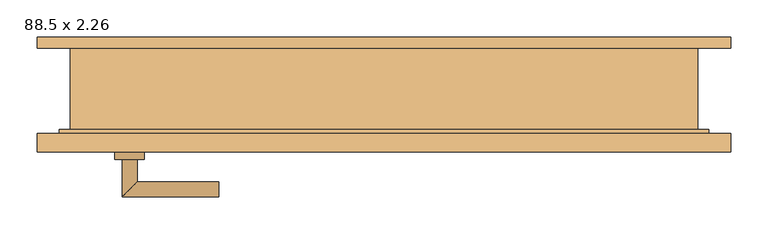
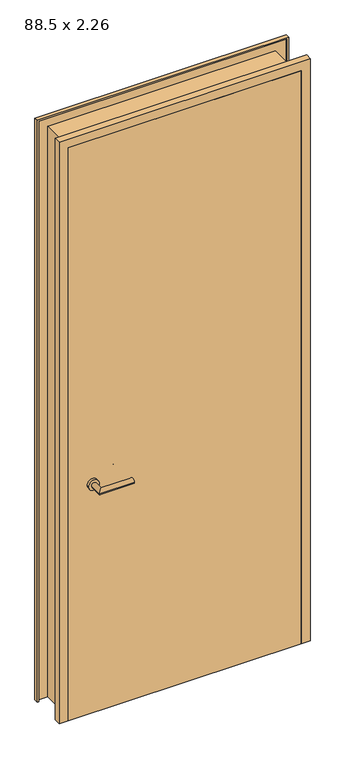
"""IFC4 building model written with IfcOpenShell, lengths in millimetres: door geometry, 88.5 x 2.26."""

from ifc_helpers import new_model, si_unit, point, frame, frame_2d, origin, origin_with_axes, place, context, project, spatial, polyline, circle_curve, ellipse_curve, trimmed, segment, composite_curve, outline, extrude, faceted_brep, source, transform, mapped, element, save
from ifc_brep_helpers import plane_surface, cylinder_surface, advanced_brep


def door_88_5_x_2_26_69bba586(model_context):
    return source(origin(), model_context, "Body", "SolidModel", [
        advanced_brep(
        [(-332.5, -61.9346141, 900.0), (-352.5, -61.9346141, 900.0), (-352.5, -11.9346141, 900.0), (-332.5, -31.9346141, 900.0), (-222.5, -31.9346141, 900.0), (-222.5, -11.9346141, 900.0)],
        [
            (0, 1, circle_curve(frame((-342.5, -61.9346141, 900.0), z_axis=(0.0, -1.0, 0.0), x_axis=(-1.0, 0.0, 0.0)), 10.0)),
            (1, 0, circle_curve(frame((-342.5, -61.9346141, 900.0), z_axis=(0.0, -1.0, 0.0), x_axis=(-1.0, 0.0, 0.0)), 10.0)),
            (1, 2),
            (2, 3, ellipse_curve(frame((-342.5, -21.9346141, 900.0), z_axis=(-0.7071067811865686, -0.7071067811865265, 0.0), x_axis=(0.7071067811865264, -0.7071067811865687, 0.0)), 14.1421356, 10.0)),
            (3, 0),
            (3, 2, ellipse_curve(frame((-342.5, -21.9346141, 900.0), z_axis=(-0.7071067811865686, -0.7071067811865265, 0.0), x_axis=(0.7071067811865264, -0.7071067811865687, 0.0)), 14.1421356, 10.0)),
            (4, 5, circle_curve(frame((-222.5, -21.9346141, 900.0), z_axis=(1.0, 0.0, 0.0), x_axis=(0.0, 1.0, 0.0)), 10.0)),
            (5, 4, circle_curve(frame((-222.5, -21.9346141, 900.0), z_axis=(1.0, 0.0, 0.0), x_axis=(0.0, 1.0, 0.0)), 10.0)),
            (2, 5),
            (4, 3),
        ],
        [
            plane_surface(frame((-342.5, -61.9346141, -387.7526403), z_axis=(0.0, -1.0, 0.0), x_axis=(0.0, 0.0, 1.0))),
            cylinder_surface(frame((-342.5, -61.9346141, 900.0), z_axis=(0.0, -1.0, 0.0), x_axis=(-1.0, 0.0, 0.0)), 10.0),
            plane_surface(frame((-222.5, -21.9346141, -387.7526403), z_axis=(1.0, 0.0, 0.0), x_axis=(0.0, 0.0, 1.0))),
            cylinder_surface(frame((-342.5, -21.9346141, 900.0), z_axis=(-1.0, 0.0, 0.0), x_axis=(0.0, 1.0, 0.0)), 10.0),
        ],
        [
            (0, [[1, 2]]),
            (1, [[3, 4, 5, -2]]),
            (1, [[-5, 6, -3, -1]]),
            (2, [[7, 8]]),
            (3, [[9, -7, 10, -4]]),
            (3, [[-10, -8, -9, -6]]),
        ],
    ),
        advanced_brep(
        [(-332.5, -106.9346141, 900.0), (-352.5, -106.9346141, 900.0), (-352.5, -156.9346141, 900.0), (-332.5, -136.9346141, 900.0), (-222.5, -136.9346141, 900.0), (-222.5, -156.9346141, 900.0)],
        [
            (0, 1, circle_curve(frame((-342.5, -106.9346141, 900.0), z_axis=(0.0, 1.0, 0.0), x_axis=(-1.0, 0.0, 0.0)), 10.0)),
            (1, 0, circle_curve(frame((-342.5, -106.9346141, 900.0), z_axis=(0.0, 1.0, 0.0), x_axis=(-1.0, 0.0, 0.0)), 10.0)),
            (1, 2),
            (2, 3, ellipse_curve(frame((-342.5, -146.9346141, 900.0), z_axis=(-0.7071067811865486, 0.7071067811865464, 0.0), x_axis=(0.7071067811865464, 0.7071067811865488, 0.0)), 14.1421356, 10.0)),
            (3, 0),
            (3, 2, ellipse_curve(frame((-342.5, -146.9346141, 900.0), z_axis=(-0.7071067811865486, 0.7071067811865464, 0.0), x_axis=(0.7071067811865464, 0.7071067811865488, 0.0)), 14.1421356, 10.0)),
            (4, 5, circle_curve(frame((-222.5, -146.9346141, 900.0), z_axis=(1.0, 0.0, 0.0), x_axis=(0.0, -1.0, 0.0)), 10.0)),
            (5, 4, circle_curve(frame((-222.5, -146.9346141, 900.0), z_axis=(1.0, 0.0, 0.0), x_axis=(0.0, -1.0, 0.0)), 10.0)),
            (2, 5),
            (4, 3),
        ],
        [
            plane_surface(frame((-342.5, -106.9346141, -387.7526403), z_axis=(0.0, 1.0, 0.0), x_axis=(0.0, 0.0, 1.0))),
            cylinder_surface(frame((-342.5, -106.9346141, 900.0), z_axis=(0.0, 1.0, 0.0), x_axis=(-1.0, 0.0, 0.0)), 10.0),
            plane_surface(frame((-222.5, -146.9346141, -387.7526403), z_axis=(1.0, 0.0, 0.0), x_axis=(0.0, 0.0, 1.0))),
            cylinder_surface(frame((-342.5, -146.9346141, 900.0), z_axis=(-1.0, 0.0, 0.0), x_axis=(0.0, -1.0, 0.0)), 10.0),
        ],
        [
            (0, [[1, 2]]),
            (1, [[3, 4, 5, -2]]),
            (1, [[-5, 6, -3, -1]]),
            (2, [[7, 8]]),
            (3, [[9, -7, 10, -4]]),
            (3, [[-10, -8, -9, -6]]),
        ],
    ),
        extrude(outline(composite_curve([segment(trimmed(circle_curve(frame_2d((900.0, -342.5)), 20.0), [point((900.0, -322.5))], [point((900.0, -362.5))], False, "CARTESIAN"), True, "CONTINUOUS"), segment(trimmed(circle_curve(frame_2d((900.0, -342.5)), 20.0), [point((900.0, -362.5))], [point((900.0, -322.5))], False, "CARTESIAN"), True, "CONTINUOUS")], self_intersect=False)), frame((0.0, -71.9346141, 0.0), z_axis=(0.0, 1.0, 0.0), x_axis=(0.0, 0.0, 1.0)), (0.0, 0.0, 1.0), 10.0),
        extrude(outline(composite_curve([segment(trimmed(circle_curve(frame_2d((900.0, -342.5)), 20.0), [point((900.0, -322.5))], [point((900.0, -362.5))], False, "CARTESIAN"), True, "CONTINUOUS"), segment(trimmed(circle_curve(frame_2d((900.0, -342.5)), 20.0), [point((900.0, -362.5))], [point((900.0, -322.5))], False, "CARTESIAN"), True, "CONTINUOUS")], self_intersect=False)), frame((0.0, -106.9346141, 0.0), z_axis=(0.0, 1.0, 0.0), x_axis=(0.0, 0.0, 1.0)), (0.0, 0.0, 1.0), 10.0),
        extrude(outline(polyline([(432.5, -71.9346141), (432.5, -96.9346141), (-432.5, -96.9346141), (-432.5, -71.9346141), (432.5, -71.9346141)])), origin_with_axes(), (0.0, 0.0, 1.0), 2250.0),
        faceted_brep([(466.9603207, 58.0653859, 0.0), (466.9603207, 43.0653859, 0.0), (461.9603207, 43.0653859, 0.0), (461.9603207, 53.0653859, 0.0), (422.5, 53.0653859, 0.0), (422.5, -66.9346141, 0.0), (437.5, -66.9346141, 0.0), (437.5, -91.9346141, 0.0), (461.9603207, -91.9346141, 0.0), (461.9603207, -71.9346141, 0.0), (466.9603207, -71.9346141, 0.0), (466.9603207, -96.9346141, 0.0), (432.5, -96.9346141, 0.0), (432.5, -71.9346141, 0.0), (417.5, -71.9346141, 0.0), (417.5, 58.0653859, 0.0), (417.5, 58.0653859, 2235.0), (-417.5, 58.0653859, 2235.0), (-417.5, 58.0653859, 0.0), (-466.9603207, 58.0653859, 0.0), (-466.9603207, 58.0653859, 2284.4603207), (466.9603207, 58.0653859, 2284.4603207), (417.5, -71.9346141, 2235.0), (432.5, -71.9346141, 2250.0), (-432.5, -71.9346141, 2250.0), (-432.5, -71.9346141, 0.0), (-417.5, -71.9346141, 0.0), (-417.5, -71.9346141, 2235.0), (432.5, -96.9346141, 2250.0), (466.9603207, -96.9346141, 2284.4603207), (-466.9603207, -96.9346141, 2284.4603207), (-466.9603207, -96.9346141, 0.0), (-432.5, -96.9346141, 0.0), (-432.5, -96.9346141, 2250.0), (466.9603207, -71.9346141, 2284.4603207), (461.9603207, -71.9346141, 2279.4603207), (-461.9603207, -71.9346141, 2279.4603207), (-461.9603207, -71.9346141, 0.0), (-466.9603207, -71.9346141, 0.0), (-466.9603207, -71.9346141, 2284.4603207), (461.9603207, -91.9346141, 2279.4603207), (437.5, -91.9346141, 2255.0), (-437.5, -91.9346141, 2255.0), (-437.5, -91.9346141, 0.0), (-461.9603207, -91.9346141, 0.0), (-461.9603207, -91.9346141, 2279.4603207), (437.5, -66.9346141, 2255.0), (422.5, -66.9346141, 2240.0), (-422.5, -66.9346141, 2240.0), (-422.5, -66.9346141, 0.0), (-437.5, -66.9346141, 0.0), (-437.5, -66.9346141, 2255.0), (422.5, 53.0653859, 2240.0), (461.9603207, 53.0653859, 2279.4603207), (-461.9603207, 53.0653859, 2279.4603207), (-461.9603207, 53.0653859, 0.0), (-422.5, 53.0653859, 0.0), (-422.5, 53.0653859, 2240.0), (461.9603207, 43.0653859, 2279.4603207), (466.9603207, 43.0653859, 2284.4603207), (-466.9603207, 43.0653859, 2284.4603207), (-466.9603207, 43.0653859, 0.0), (-461.9603207, 43.0653859, 0.0), (-461.9603207, 43.0653859, 2279.4603207)], [[[0, 1, 2, 3, 4, 5, 6, 7, 8, 9, 10, 11, 12, 13, 14, 15]], [[15, 16, 17, 18, 19, 20, 21, 0]], [[14, 22, 16, 15]], [[13, 23, 24, 25, 26, 27, 22, 14]], [[12, 28, 23, 13]], [[11, 29, 30, 31, 32, 33, 28, 12]], [[10, 34, 29, 11]], [[9, 35, 36, 37, 38, 39, 34, 10]], [[8, 40, 35, 9]], [[7, 41, 42, 43, 44, 45, 40, 8]], [[6, 46, 41, 7]], [[5, 47, 48, 49, 50, 51, 46, 6]], [[4, 52, 47, 5]], [[3, 53, 54, 55, 56, 57, 52, 4]], [[2, 58, 53, 3]], [[1, 59, 60, 61, 62, 63, 58, 2]], [[0, 21, 59, 1]], [[22, 27, 17, 16]], [[28, 33, 24, 23]], [[34, 39, 30, 29]], [[40, 45, 36, 35]], [[46, 51, 42, 41]], [[52, 57, 48, 47]], [[58, 63, 54, 53]], [[21, 20, 60, 59]], [[19, 18, 26, 25, 32, 31, 38, 37, 44, 43, 50, 49, 56, 55, 62, 61]], [[27, 26, 18, 17]], [[33, 32, 25, 24]], [[39, 38, 31, 30]], [[45, 44, 37, 36]], [[51, 50, 43, 42]], [[57, 56, 49, 48]], [[63, 62, 55, 54]], [[20, 19, 61, 60]]]),
    ])


if __name__ == "__main__":
    model = new_model("IFC4")
    model_context = context("Model", 3, world=origin())
    ifc_project = project(units=[si_unit("LENGTHUNIT", "METRE", prefix="MILLI")], contexts=[model_context])
    site = spatial("IfcSite", under=ifc_project)
    building = spatial("IfcBuilding", under=site)
    placement = place(None, origin())
    door_88_5_x_2_26_shape = door_88_5_x_2_26_69bba586(model_context)
    element("IfcDoor", 1, ObjectType="88.5 x 2.26", at=placement, inside=building, context=model_context, shape_type="MappedRepresentation", body=[
        mapped(door_88_5_x_2_26_shape, transform((0.0, 0.0, 0.0), x_axis=(1.0, 0.0, 0.0), y_axis=(0.0, 1.0, 0.0), z_axis=(0.0, 0.0, 1.0))),
    ])
    save(model, "model.ifc")
